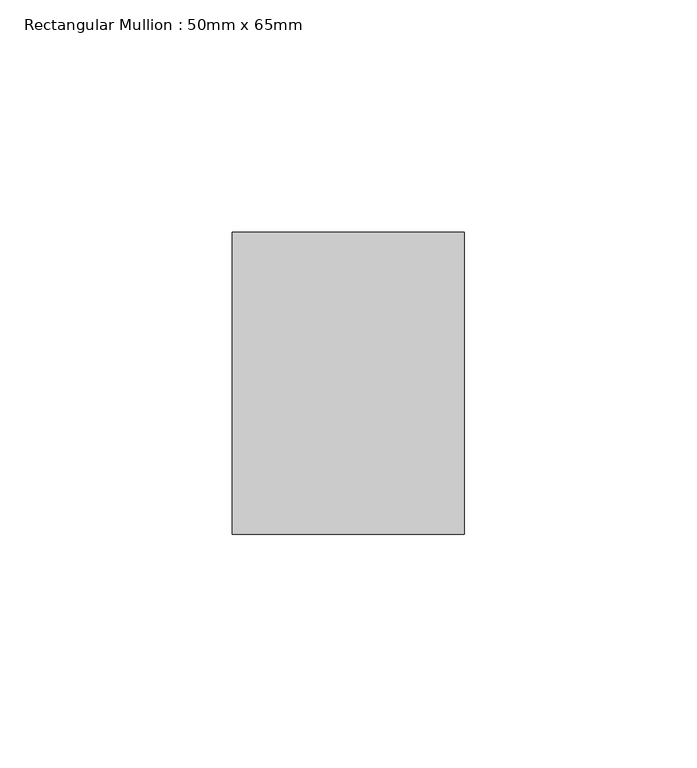
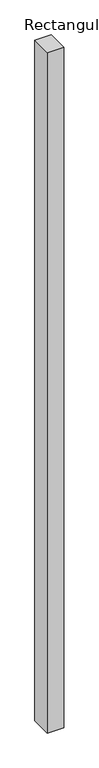
"""IFC4 building model written with IfcOpenShell, lengths in millimetres: member geometry, Rectangular Mullion : 50mm x 65mm."""

from ifc_helpers import new_model, si_unit, frame, origin, place, context, project, spatial, polyline, outline, extrude, source, transform, mapped, element, save


def rectangular_mullion_50mm_x_65mm_de8afc98(model_context):
    return source(origin(), model_context, "Body", "SweptSolid", [
        extrude(outline(polyline([(25.0, 32.5), (25.0, -32.5), (-25.0, -32.5), (-25.0, 32.5), (25.0, 32.5)])), frame((0.0, 0.0, -2186.9737934), z_axis=(0.0, 0.0, 1.0), x_axis=(1.0, 0.0, 0.0)), (0.0, 0.0, 1.0), 2186.9737934),
    ])


if __name__ == "__main__":
    model = new_model("IFC4")
    model_context = context("Model", 3, world=origin())
    ifc_project = project(units=[si_unit("LENGTHUNIT", "METRE", prefix="MILLI")], contexts=[model_context])
    site = spatial("IfcSite", under=ifc_project)
    building = spatial("IfcBuilding", under=site)
    placement = place(None, origin())
    rectangular_mullion_50mm_x_65mm_shape = rectangular_mullion_50mm_x_65mm_de8afc98(model_context)
    element("IfcMember", 1, ObjectType="Rectangular Mullion : 50mm x 65mm", at=placement, inside=building, context=model_context, shape_type="MappedRepresentation", body=[
        mapped(rectangular_mullion_50mm_x_65mm_shape, transform((0.0, 0.0, 0.0), x_axis=(1.0, 0.0, 0.0), y_axis=(0.0, 1.0, 0.0), z_axis=(0.0, 0.0, 1.0))),
    ])
    save(model, "model.ifc")
